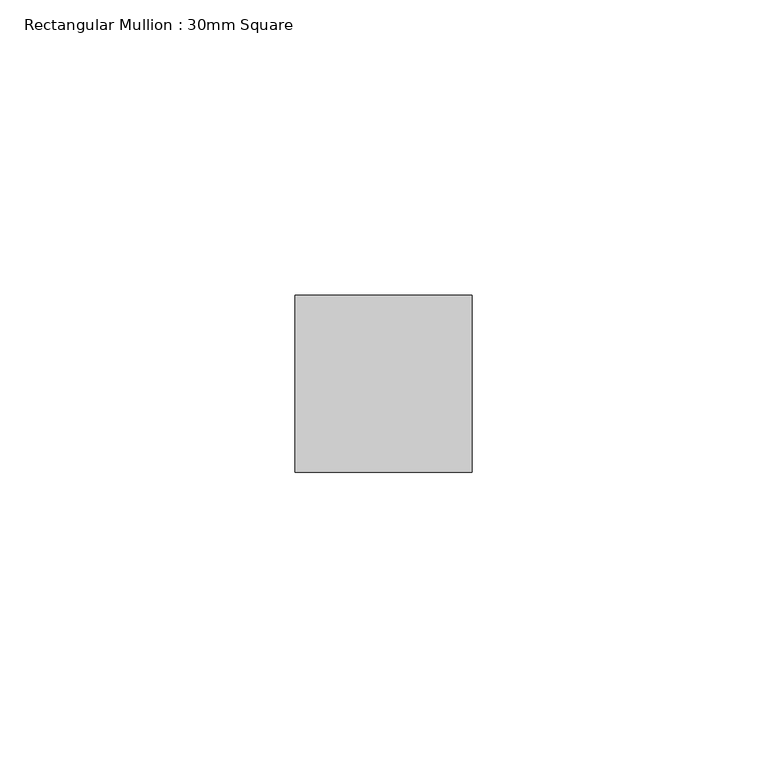
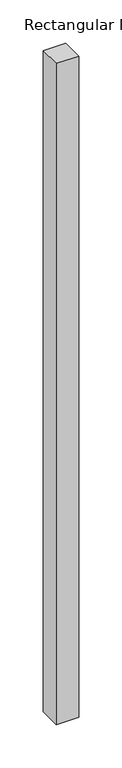
"""IFC4 building model written with IfcOpenShell, lengths in millimetres: member geometry, Rectangular Mullion : 30mm Square."""

from ifc_helpers import new_model, si_unit, frame, origin, place, context, project, spatial, polyline, outline, extrude, source, transform, mapped, element, save


def rectangular_mullion_30mm_square_601ca45d(model_context):
    return source(origin(), model_context, "Body", "SweptSolid", [
        extrude(outline(polyline([(0.0, 15.0), (0.0, -15.0), (-30.0, -15.0), (-30.0, 15.0), (0.0, 15.0)])), frame((0.0, 0.0, -935.4156789), z_axis=(0.0, 0.0, 1.0), x_axis=(1.0, 0.0, 0.0)), (0.0, 0.0, 1.0), 935.4156789),
    ])


if __name__ == "__main__":
    model = new_model("IFC4")
    model_context = context("Model", 3, world=origin())
    ifc_project = project(units=[si_unit("LENGTHUNIT", "METRE", prefix="MILLI")], contexts=[model_context])
    site = spatial("IfcSite", under=ifc_project)
    building = spatial("IfcBuilding", under=site)
    placement = place(None, origin())
    rectangular_mullion_30mm_square_shape = rectangular_mullion_30mm_square_601ca45d(model_context)
    element("IfcMember", 1, ObjectType="Rectangular Mullion : 30mm Square", at=placement, inside=building, context=model_context, shape_type="MappedRepresentation", body=[
        mapped(rectangular_mullion_30mm_square_shape, transform((0.0, 0.0, 0.0), x_axis=(1.0, 0.0, 0.0), y_axis=(0.0, 1.0, 0.0), z_axis=(0.0, 0.0, 1.0))),
    ])
    save(model, "model.ifc")
